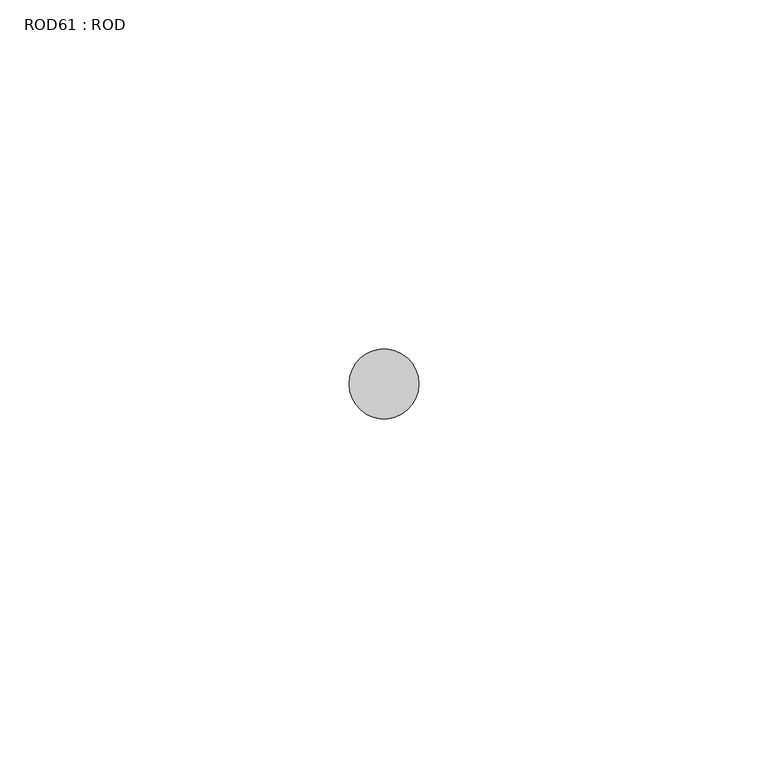
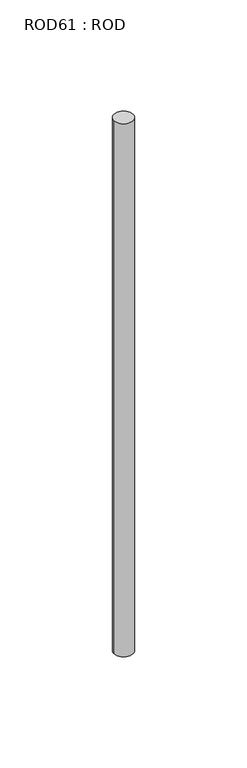
"""IFC4 building model written with IfcOpenShell, lengths in millimetres: proxy geometry, ROD61 : ROD."""

from ifc_helpers import new_model, si_unit, point, frame, frame_2d, origin, place, context, project, spatial, circle_curve, trimmed, segment, composite_curve, outline, extrude, source, transform, mapped, element, save


def rod61_rod_575281f8(model_context):
    return source(origin(), model_context, "Body", "SweptSolid", [
        extrude(outline(composite_curve([segment(trimmed(circle_curve(frame_2d((8692.7784384, -1114.6300853)), 5.0), [point((8687.7784384, -1114.6300853))], [point((8697.7784384, -1114.6300853))], False, "CARTESIAN"), True, "CONTINUOUS"), segment(trimmed(circle_curve(frame_2d((8692.7784384, -1114.6300853)), 5.0), [point((8697.7784384, -1114.6300853))], [point((8687.7784384, -1114.6300853))], False, "CARTESIAN"), True, "CONTINUOUS")], self_intersect=False)), frame((0.0, 0.0, -208.6608845), z_axis=(0.0, 0.0, 1.0), x_axis=(1.0, 0.0, 0.0)), (0.0, 0.0, 1.0), 298.9028972),
    ])


if __name__ == "__main__":
    model = new_model("IFC4")
    model_context = context("Model", 3, world=origin())
    ifc_project = project(units=[si_unit("LENGTHUNIT", "METRE", prefix="MILLI")], contexts=[model_context])
    site = spatial("IfcSite", under=ifc_project)
    building = spatial("IfcBuilding", under=site)
    placement = place(None, origin())
    rod61_rod_shape = rod61_rod_575281f8(model_context)
    element("IfcBuildingElementProxy", 1, Name="ROD61 : ROD", ObjectType="ROD61 : ROD", at=placement, inside=building, context=model_context, shape_type="MappedRepresentation", body=[
        mapped(rod61_rod_shape, transform((0.0, 0.0, 0.0), x_axis=(1.0, 0.0, 0.0), y_axis=(0.0, 1.0, 0.0), z_axis=(0.0, 0.0, 1.0))),
    ])
    save(model, "model.ifc")
